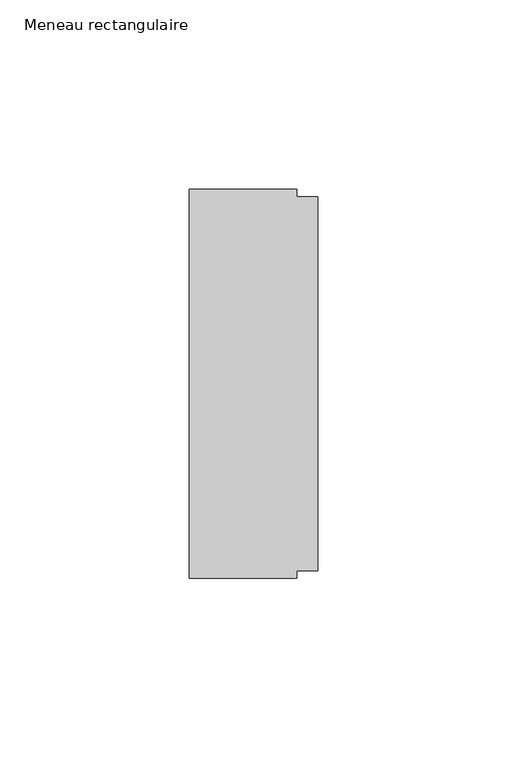
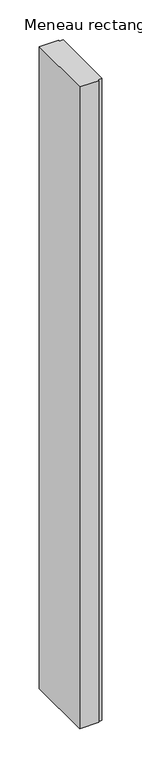
"""IFC4 building model written with IfcOpenShell, lengths in millimetres: member geometry, Meneau rectangulaire."""

from ifc_helpers import new_model, si_unit, frame, origin, place, context, project, spatial, polyline, outline, extrude, source, transform, mapped, element, save


def meneau_rectangulaire_c3a035de(model_context):
    return source(origin(), model_context, "Body", "SweptSolid", [
        extrude(outline(polyline([(0.0, 49.5), (0.0, -49.5), (-5.5, -49.5), (-5.5, -51.5), (-34.0, -51.5), (-34.0, 51.5), (-5.5, 51.5), (-5.5, 49.5), (0.0, 49.5)])), frame((0.0, 0.0, -1000.0), z_axis=(0.0, 0.0, 1.0), x_axis=(1.0, 0.0, 0.0)), (0.0, 0.0, 1.0), 1000.0),
    ])


if __name__ == "__main__":
    model = new_model("IFC4")
    model_context = context("Model", 3, world=origin())
    ifc_project = project(units=[si_unit("LENGTHUNIT", "METRE", prefix="MILLI")], contexts=[model_context])
    site = spatial("IfcSite", under=ifc_project)
    building = spatial("IfcBuilding", under=site)
    placement = place(None, origin())
    meneau_rectangulaire_shape = meneau_rectangulaire_c3a035de(model_context)
    element("IfcMember", 1, ObjectType="Meneau rectangulaire", at=placement, inside=building, context=model_context, shape_type="MappedRepresentation", body=[
        mapped(meneau_rectangulaire_shape, transform((0.0, 0.0, 0.0), x_axis=(1.0, 0.0, 0.0), y_axis=(0.0, 1.0, 0.0), z_axis=(0.0, 0.0, 1.0))),
    ])
    save(model, "model.ifc")
